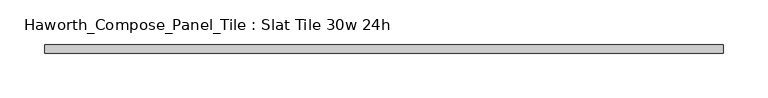
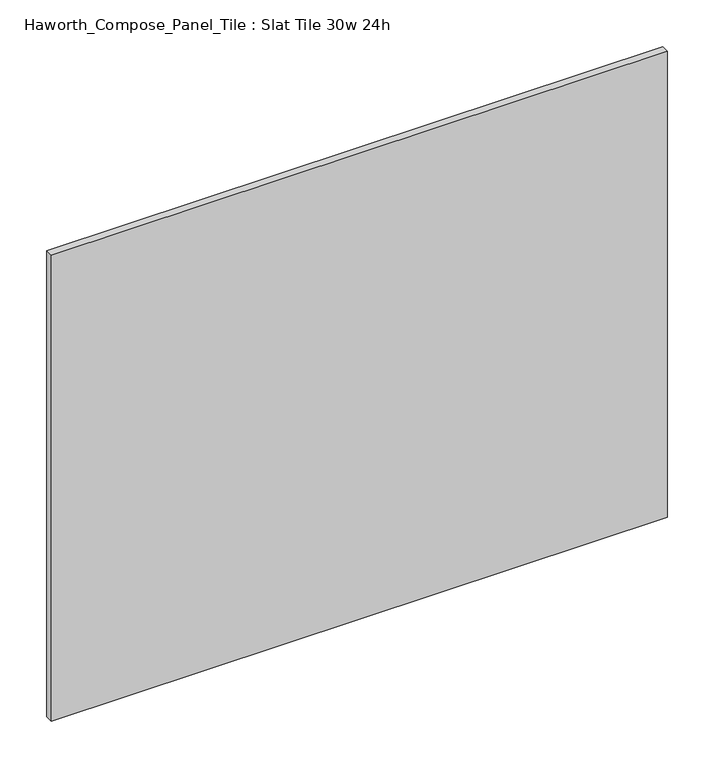
"""IFC4 building model written with IfcOpenShell, lengths in millimetres: furniture geometry, Haworth_Compose_Panel_Tile : Slat Tile 30w 24h."""

from ifc_helpers import new_model, si_unit, frame, origin, place, context, project, spatial, polyline, outline, extrude, source, transform, mapped, element, save


def haworth_compose_panel_tile_slat_tile_30w_24h_5a23a286(model_context):
    return source(origin(), model_context, "Body", "SweptSolid", [
        extrude(outline(polyline([(383.4402902, -25.7218594), (-378.5597098, -25.7218594), (-378.5597098, -16.1968594), (383.4402902, -16.1968594), (383.4402902, -25.7218594)])), frame((0.0, 0.0, 1066.8), z_axis=(0.0, 0.0, 1.0), x_axis=(1.0, 0.0, 0.0)), (0.0, 0.0, 1.0), 609.6),
    ])


if __name__ == "__main__":
    model = new_model("IFC4")
    model_context = context("Model", 3, world=origin())
    ifc_project = project(units=[si_unit("LENGTHUNIT", "METRE", prefix="MILLI")], contexts=[model_context])
    site = spatial("IfcSite", under=ifc_project)
    building = spatial("IfcBuilding", under=site)
    placement = place(None, origin())
    haworth_compose_panel_tile_slat_tile_30w_24h_shape = haworth_compose_panel_tile_slat_tile_30w_24h_5a23a286(model_context)
    element("IfcFurniture", 1, ObjectType="Haworth_Compose_Panel_Tile : Slat Tile 30w 24h", at=placement, inside=building, context=model_context, shape_type="MappedRepresentation", body=[
        mapped(haworth_compose_panel_tile_slat_tile_30w_24h_shape, transform((0.0, 0.0, 0.0), x_axis=(1.0, 0.0, 0.0), y_axis=(0.0, 1.0, 0.0), z_axis=(0.0, 0.0, 1.0))),
    ])
    save(model, "model.ifc")
